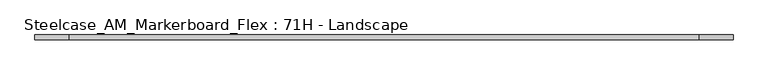
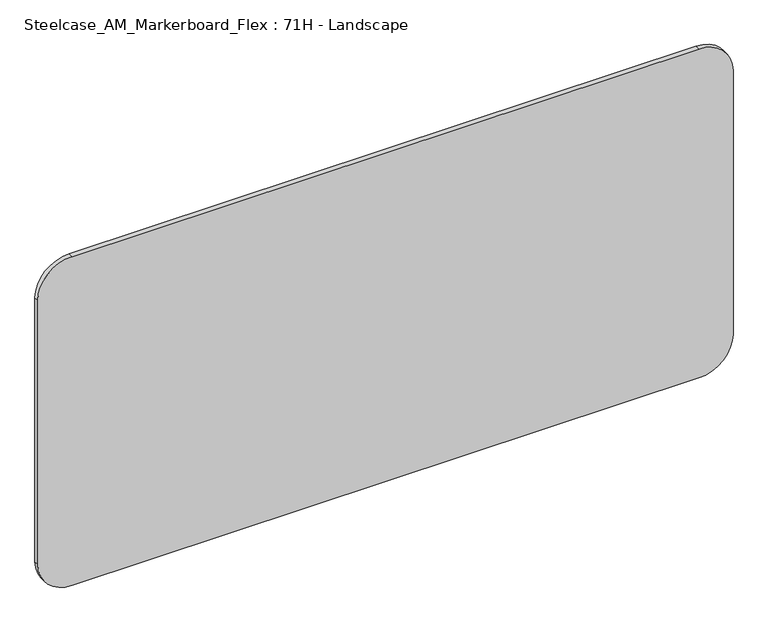
"""IFC4 building model written with IfcOpenShell, lengths in millimetres: furniture geometry, Steelcase_AM_Markerboard_Flex : 71H - Landscape."""

from ifc_helpers import new_model, si_unit, point, frame, frame_2d, origin, place, context, project, spatial, polyline, circle_curve, trimmed, segment, composite_curve, outline, extrude, source, transform, mapped, element, save


def steelcase_am_markerboard_flex_71h_landscape_d06aaa1f(model_context):
    return source(origin(), model_context, "Body", "SweptSolid", [
        extrude(outline(composite_curve([segment(polyline([(901.7, 1714.5), (901.7, 88.9)]), True, "CONTINUOUS"), segment(trimmed(circle_curve(frame_2d((812.8, 88.9)), 88.9), [point((901.7, 88.9))], [point((812.8, 0.0))], False, "CARTESIAN"), True, "CONTINUOUS"), segment(polyline([(812.8, 0.0), (88.9, 0.0)]), True, "CONTINUOUS"), segment(trimmed(circle_curve(frame_2d((88.9, 88.9)), 88.9), [point((88.9, 0.0))], [point((0.0, 88.9))], False, "CARTESIAN"), True, "CONTINUOUS"), segment(polyline([(0.0, 88.9), (0.0, 1714.5)]), True, "CONTINUOUS"), segment(trimmed(circle_curve(frame_2d((88.9, 1714.5)), 88.9), [point((0.0, 1714.5))], [point((88.9, 1803.4))], False, "CARTESIAN"), True, "CONTINUOUS"), segment(polyline([(88.9, 1803.4), (812.8, 1803.4)]), True, "CONTINUOUS"), segment(trimmed(circle_curve(frame_2d((812.8, 1714.5)), 88.9), [point((812.8, 1803.4))], [point((901.7, 1714.5))], False, "CARTESIAN"), True, "CONTINUOUS")], self_intersect=False)), frame((0.0, -12.6952438, 0.0), z_axis=(0.0, 1.0, 0.0), x_axis=(0.0, 0.0, 1.0)), (0.0, 0.0, 1.0), 12.6952438),
    ])


if __name__ == "__main__":
    model = new_model("IFC4")
    model_context = context("Model", 3, world=origin())
    ifc_project = project(units=[si_unit("LENGTHUNIT", "METRE", prefix="MILLI")], contexts=[model_context])
    site = spatial("IfcSite", under=ifc_project)
    building = spatial("IfcBuilding", under=site)
    placement = place(None, origin())
    steelcase_am_markerboard_flex_71h_landscape_shape = steelcase_am_markerboard_flex_71h_landscape_d06aaa1f(model_context)
    element("IfcFurniture", 1, ObjectType="Steelcase_AM_Markerboard_Flex : 71H - Landscape", at=placement, inside=building, context=model_context, shape_type="MappedRepresentation", body=[
        mapped(steelcase_am_markerboard_flex_71h_landscape_shape, transform((0.0, 0.0, 0.0), x_axis=(1.0, 0.0, 0.0), y_axis=(0.0, 1.0, 0.0), z_axis=(0.0, 0.0, 1.0))),
    ])
    save(model, "model.ifc")
